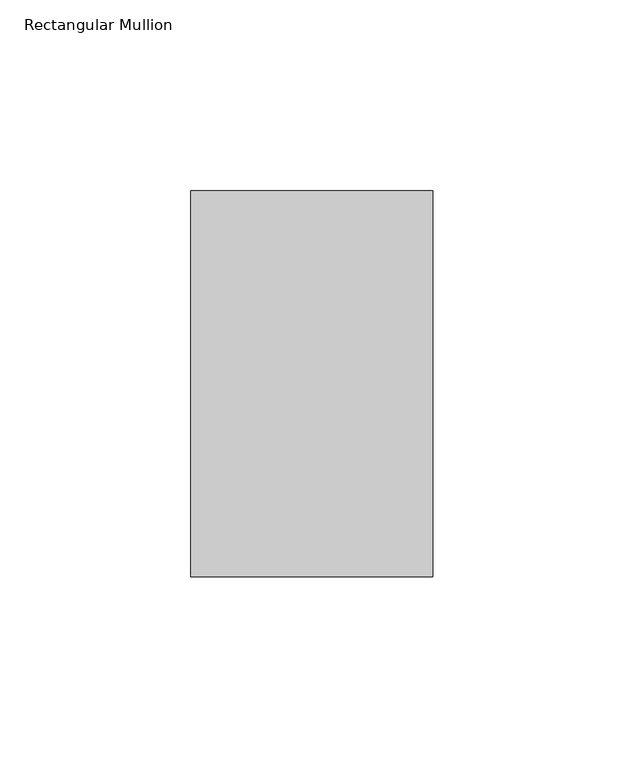
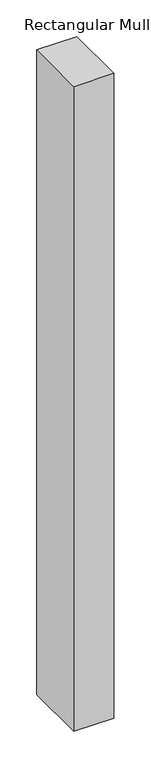
"""IFC4 building model written with IfcOpenShell, lengths in millimetres: member geometry, Rectangular Mullion."""

from ifc_helpers import new_model, si_unit, frame, origin, place, context, project, spatial, polyline, outline, extrude, source, transform, mapped, element, save


def rectangular_mullion_5c1e96e3(model_context):
    return source(origin(), model_context, "Body", "SweptSolid", [
        extrude(outline(polyline([(31.7499998, 152.4896938), (31.7499998, 51.2960938), (-31.7499998, 51.2960938), (-31.7499998, 152.4896938), (31.7499998, 152.4896938)])), frame((0.0, 0.0, -1074.8264372), z_axis=(0.0, 0.0, 1.0), x_axis=(1.0, 0.0, 0.0)), (0.0, 0.0, 1.0), 1074.8264372),
    ])


if __name__ == "__main__":
    model = new_model("IFC4")
    model_context = context("Model", 3, world=origin())
    ifc_project = project(units=[si_unit("LENGTHUNIT", "METRE", prefix="MILLI")], contexts=[model_context])
    site = spatial("IfcSite", under=ifc_project)
    building = spatial("IfcBuilding", under=site)
    placement = place(None, origin())
    rectangular_mullion_shape = rectangular_mullion_5c1e96e3(model_context)
    element("IfcMember", 1, ObjectType="Rectangular Mullion", at=placement, inside=building, context=model_context, shape_type="MappedRepresentation", body=[
        mapped(rectangular_mullion_shape, transform((0.0, 0.0, 0.0), x_axis=(1.0, 0.0, 0.0), y_axis=(0.0, 1.0, 0.0), z_axis=(0.0, 0.0, 1.0))),
    ])
    save(model, "model.ifc")
